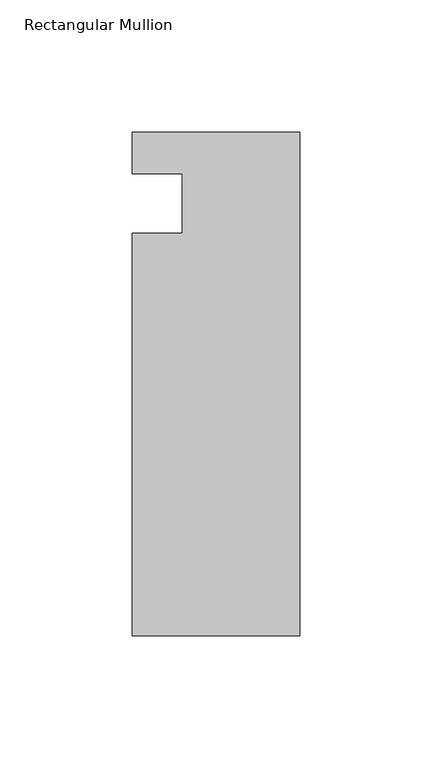
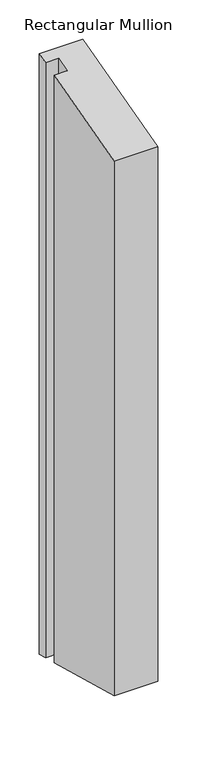
"""IFC4 building model written with IfcOpenShell, lengths in millimetres: member geometry, Rectangular Mullion."""

from ifc_helpers import new_model, si_unit, origin, place, context, project, spatial, faceted_brep, source, transform, mapped, element, save


def rectangular_mullion_217aa5c7(model_context):
    return source(origin(), model_context, "Body", "Brep", [
        faceted_brep([(-198.4248, 4.9172813, 1.3175815), (-198.4248, 20.7668813, 5.5644691), (-198.4248, 20.7668813, -926.48271), (-198.4248, 4.9172813, -922.2358225), (-179.3748, 4.9172813, 1.3175815), (-179.3748, 4.9172813, -922.2358225), (-179.3748, -17.5617188, -4.7056484), (-179.3748, -17.5617188, -916.2125926), (-198.4248, -17.5617188, -4.7056484), (-198.4248, -17.5617188, -916.2125926), (-198.4248, -169.9617188, -45.5411053), (-198.4248, -169.9617188, -875.3771357), (-134.9248, -169.9617187, -45.5411053), (-134.9248, -169.9617187, -875.3771357), (-134.9248, 20.7668813, 5.5644691), (-134.9248, 20.7668813, -926.48271)], [[[0, 1, 2, 3]], [[4, 0, 3, 5]], [[6, 4, 5, 7]], [[8, 6, 7, 9]], [[10, 8, 9, 11]], [[12, 10, 11, 13]], [[14, 12, 13, 15]], [[1, 14, 15, 2]], [[1, 0, 4, 6, 8, 10, 12, 14]], [[2, 15, 13, 11, 9, 7, 5, 3]]]),
    ])


if __name__ == "__main__":
    model = new_model("IFC4")
    model_context = context("Model", 3, world=origin())
    ifc_project = project(units=[si_unit("LENGTHUNIT", "METRE", prefix="MILLI")], contexts=[model_context])
    site = spatial("IfcSite", under=ifc_project)
    building = spatial("IfcBuilding", under=site)
    placement = place(None, origin())
    rectangular_mullion_shape = rectangular_mullion_217aa5c7(model_context)
    element("IfcMember", 1, ObjectType="Rectangular Mullion", at=placement, inside=building, context=model_context, shape_type="MappedRepresentation", body=[
        mapped(rectangular_mullion_shape, transform((0.0, 0.0, 0.0), x_axis=(1.0, 0.0, 0.0), y_axis=(0.0, 1.0, 0.0), z_axis=(0.0, 0.0, 1.0))),
    ])
    save(model, "model.ifc")
